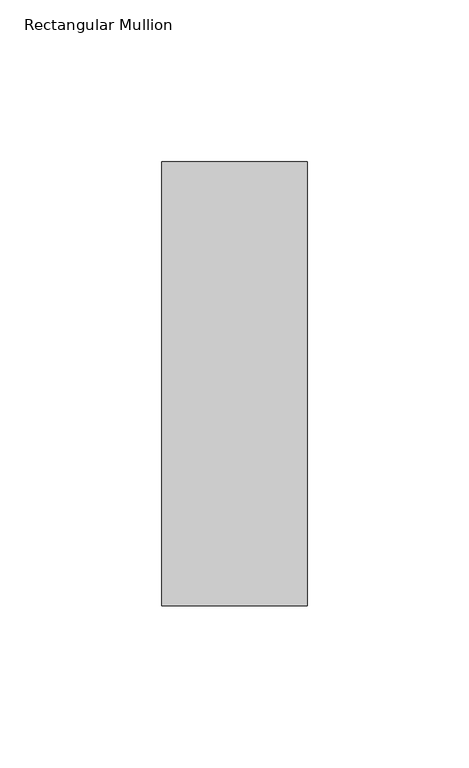
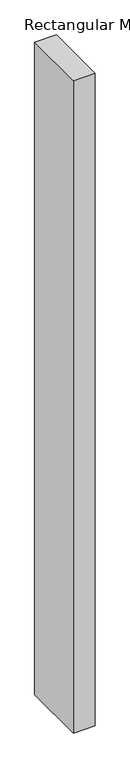
"""IFC4 building model written with IfcOpenShell, lengths in millimetres: member geometry, Rectangular Mullion."""

from ifc_helpers import new_model, si_unit, frame, origin, place, context, project, spatial, polyline, outline, extrude, source, transform, mapped, element, save


def rectangular_mullion_afe9c0cd(model_context):
    return source(origin(), model_context, "Body", "SweptSolid", [
        extrude(outline(polyline([(-45.0, 84.19375), (0.0, 84.19375), (0.0, -53.19375), (-45.0, -53.19375), (-45.0, 84.19375)])), frame((0.0, 0.0, -1416.5642788), z_axis=(0.0, 0.0, 1.0), x_axis=(1.0, 0.0, 0.0)), (0.0, 0.0, 1.0), 1416.5642788),
    ])


if __name__ == "__main__":
    model = new_model("IFC4")
    model_context = context("Model", 3, world=origin())
    ifc_project = project(units=[si_unit("LENGTHUNIT", "METRE", prefix="MILLI")], contexts=[model_context])
    site = spatial("IfcSite", under=ifc_project)
    building = spatial("IfcBuilding", under=site)
    placement = place(None, origin())
    rectangular_mullion_shape = rectangular_mullion_afe9c0cd(model_context)
    element("IfcMember", 1, ObjectType="Rectangular Mullion", at=placement, inside=building, context=model_context, shape_type="MappedRepresentation", body=[
        mapped(rectangular_mullion_shape, transform((0.0, 0.0, 0.0), x_axis=(1.0, 0.0, 0.0), y_axis=(0.0, 1.0, 0.0), z_axis=(0.0, 0.0, 1.0))),
    ])
    save(model, "model.ifc")
